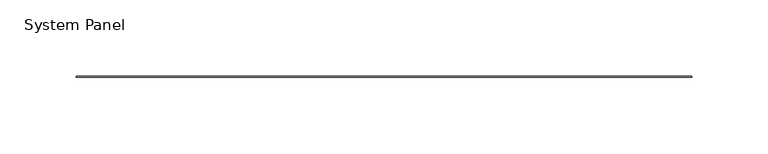
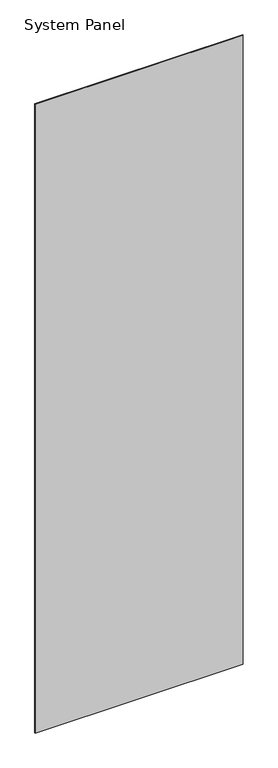
"""IFC4 building model written with IfcOpenShell, lengths in millimetres: plate geometry, System Panel."""

from ifc_helpers import new_model, si_unit, origin, origin_with_axes, place, context, project, spatial, polyline, outline, extrude, source, transform, mapped, element, save


def system_panel_a50509cc(model_context):
    return source(origin(), model_context, "Body", "SweptSolid", [
        extrude(outline(polyline([(201.4855, -0.2480469), (-201.4855, -0.2480469), (-201.4855, 0.2480469), (201.4855, 0.2480469), (201.4855, -0.2480469)])), origin_with_axes(), (0.0, 0.0, 1.0), 1285.875),
    ])


if __name__ == "__main__":
    model = new_model("IFC4")
    model_context = context("Model", 3, world=origin())
    ifc_project = project(units=[si_unit("LENGTHUNIT", "METRE", prefix="MILLI")], contexts=[model_context])
    site = spatial("IfcSite", under=ifc_project)
    building = spatial("IfcBuilding", under=site)
    placement = place(None, origin())
    system_panel_shape = system_panel_a50509cc(model_context)
    element("IfcPlate", 1, ObjectType="System Panel", at=placement, inside=building, context=model_context, shape_type="MappedRepresentation", body=[
        mapped(system_panel_shape, transform((0.0, 0.0, 0.0), x_axis=(1.0, 0.0, 0.0), y_axis=(0.0, 1.0, 0.0), z_axis=(0.0, 0.0, 1.0))),
    ])
    save(model, "model.ifc")
